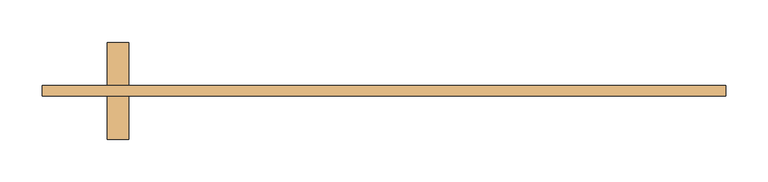
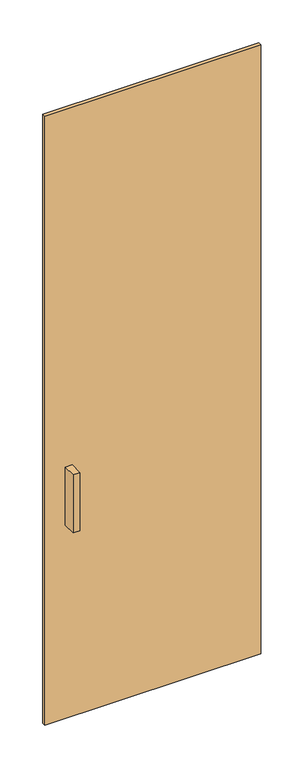
"""IFC4 building model written with IfcOpenShell, lengths in millimetres: door geometry."""

from ifc_helpers import new_model, si_unit, frame, origin, origin_with_axes, place, context, project, spatial, polyline, outline, extrude, source, transform, mapped, element, save


def door_290211fa(model_context):
    return source(origin(), model_context, "Body", "SweptSolid", [
        extrude(outline(polyline([(-300.9, 12.5), (-300.9, -38.3), (-326.3, -38.3), (-326.3, 12.5), (-300.9, 12.5)])), frame((0.0, 0.0, 762.0), z_axis=(0.0, 0.0, 1.0), x_axis=(1.0, 0.0, 0.0)), (0.0, 0.0, 1.0), 228.6),
        extrude(outline(polyline([(-326.3, -101.8), (-326.3, -51.0), (-300.9, -51.0), (-300.9, -101.8), (-326.3, -101.8)])), frame((0.0, 0.0, 762.0), z_axis=(0.0, 0.0, 1.0), x_axis=(1.0, 0.0, 0.0)), (0.0, 0.0, 1.0), 228.6),
        extrude(outline(polyline([(402.5, -51.0), (-402.5, -51.0), (-402.5, -38.3), (402.5, -38.3), (402.5, -51.0)])), origin_with_axes(), (0.0, 0.0, 1.0), 2400.0),
    ])


if __name__ == "__main__":
    model = new_model("IFC4")
    model_context = context("Model", 3, world=origin())
    ifc_project = project(units=[si_unit("LENGTHUNIT", "METRE", prefix="MILLI")], contexts=[model_context])
    site = spatial("IfcSite", under=ifc_project)
    building = spatial("IfcBuilding", under=site)
    placement = place(None, origin())
    door_shape = door_290211fa(model_context)
    element("IfcDoor", 1, at=placement, inside=building, context=model_context, shape_type="MappedRepresentation", body=[
        mapped(door_shape, transform((0.0, 0.0, 0.0), x_axis=(1.0, 0.0, 0.0), y_axis=(0.0, 1.0, 0.0), z_axis=(0.0, 0.0, 1.0))),
    ])
    save(model, "model.ifc")
